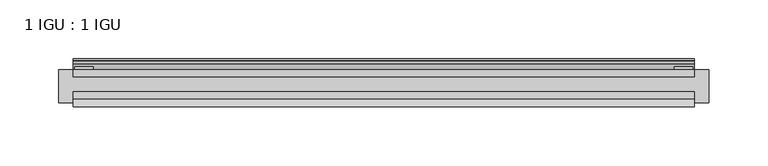
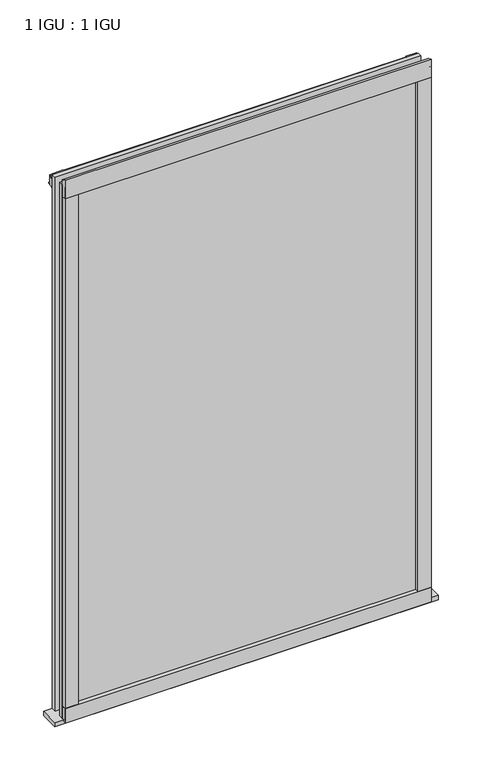
"""IFC4 building model written with IfcOpenShell, lengths in millimetres: plate geometry, 1 IGU : 1 IGU."""

from ifc_helpers import new_model, si_unit, point, frame, frame_2d, origin, place, context, project, spatial, polyline, circle_curve, trimmed, segment, composite_curve, outline, extrude, source, transform, mapped, element, save


def plate_1_igu_1_igu_49e4e4d3(model_context):
    return source(origin(), model_context, "Body", "SweptSolid", [
        extrude(outline(polyline([(265.11885, 0.0021347), (265.11885, -6.2992), (-265.11885, -6.2992), (-265.11885, 0.0021347), (265.11885, 0.0021347)])), frame((0.0, 0.0, -19.05), z_axis=(0.0, 0.0, 1.0), x_axis=(1.0, 0.0, 0.0)), (0.0, 0.0, 1.0), 817.5498001),
        extrude(outline(polyline([(-265.11885, -19.0986653), (265.11885, -19.0986653), (265.11885, -25.3978653), (-265.11885, -25.3978653), (-265.11885, -19.0986653)])), frame((0.0, 0.0, -19.05), z_axis=(0.0, 0.0, 1.0), x_axis=(1.0, 0.0, 0.0)), (0.0, 0.0, 1.0), 817.5498001),
        extrude(outline(composite_curve([segment(trimmed(circle_curve(frame_2d((10.9021792, -22.6833935)), 11.4916952), [point((0.0, -19.05))], [point((-0.2638007, -25.4))], True, "CARTESIAN"), True, "CONTINUOUS"), segment(polyline([(-0.2638007, -25.4), (-27.9952564, -25.4), (-27.9952564, -19.05), (0.0, -19.05)]), True, "CONTINUOUS")], self_intersect=False)), frame((-277.81885, 0.0, 0.0), z_axis=(1.0, 0.0, 0.0), x_axis=(0.0, 1.0, 0.0)), (0.0, 0.0, 1.0), 555.6377),
        extrude(outline(composite_curve([segment(polyline([(-31.75, 0.0), (-25.4, 0.0), (-25.4, -22.225)]), True, "CONTINUOUS"), segment(trimmed(circle_curve(frame_2d((-28.575, -28.9113452)), 7.4018806), [point((-25.4, -22.225))], [point((-31.75, -22.225))], True, "CARTESIAN"), True, "CONTINUOUS"), segment(polyline([(-31.75, -22.225), (-31.75, 0.0)]), True, "CONTINUOUS")], self_intersect=False)), frame((-265.11885, 0.0, 0.0), z_axis=(1.0, 0.0, 0.0), x_axis=(0.0, 1.0, 0.0)), (0.0, 0.0, 1.0), 530.2377),
        extrude(outline(composite_curve([segment(trimmed(circle_curve(frame_2d((-23.3689302, 822.6664901)), 40.3187601), [point((0.0, 789.8108131))], [point((4.9746073, 793.9916528))], True, "CARTESIAN"), True, "CONTINUOUS"), segment(trimmed(circle_curve(frame_2d((5.8674, 793.0884246)), 1.27), [point((4.9746073, 793.9916528))], [point((7.1374, 793.0884246))], False, "CARTESIAN"), True, "CONTINUOUS"), segment(polyline([(7.1374, 793.0884246), (7.1374, 788.6876169), (7.7309478, 786.4724663), (6.35, 786.2379789), (6.35, 781.0500001), (9.3980339, 781.0500001), (9.3980339, 779.6684051)]), True, "CONTINUOUS"), segment(trimmed(circle_curve(frame_2d((13.6593785, 748.6551528)), 31.3046461), [point((9.3980339, 779.6684051))], [point((0.0, 776.8225498))], True, "CARTESIAN"), True, "CONTINUOUS"), segment(polyline([(0.0, 776.8225498), (0.0, 789.8108131)]), True, "CONTINUOUS")], self_intersect=False)), frame((-265.11885, 0.0, 0.0), z_axis=(1.0, 0.0, 0.0), x_axis=(0.0, 1.0, 0.0)), (0.0, 0.0, 1.0), 530.2377),
        extrude(outline(composite_curve([segment(polyline([(-25.4, 806.4500001), (-25.4, 781.0500001), (-31.75, 781.0500001), (-31.75, 809.2228974)]), True, "CONTINUOUS"), segment(trimmed(circle_curve(frame_2d((-24.1401272, 817.9924116)), 11.6109665), [point((-31.75, 809.2228974))], [point((-25.4, 806.4500001))], True, "CARTESIAN"), True, "CONTINUOUS")], self_intersect=False)), frame((-265.11885, 0.0, 0.0), z_axis=(1.0, 0.0, 0.0), x_axis=(0.0, 1.0, 0.0)), (0.0, 0.0, 1.0), 530.2377),
        extrude(outline(composite_curve([segment(polyline([(246.06885, -25.4), (265.11885, -25.4)]), True, "CONTINUOUS"), segment(trimmed(circle_curve(frame_2d((274.5850007, -28.575)), 9.9844196), [point((265.11885, -25.4))], [point((265.11885, -31.75))], True, "CARTESIAN"), True, "CONTINUOUS"), segment(polyline([(265.11885, -31.75), (246.06885, -31.75), (246.06885, -25.4)]), True, "CONTINUOUS")], self_intersect=False)), frame((0.0, 0.0, -19.05), z_axis=(0.0, 0.0, 1.0), x_axis=(1.0, 0.0, 0.0)), (0.0, 0.0, 1.0), 817.5498001),
        extrude(outline(polyline([(263.91235, 2.2860088), (263.91235, 0.0021347), (248.03735, 0.0021347), (248.03735, 2.2860088), (263.91235, 2.2860088)])), frame((0.0, 0.0, -19.05), z_axis=(0.0, 0.0, 1.0), x_axis=(1.0, 0.0, 0.0)), (0.0, 0.0, 1.0), 817.5498001),
        extrude(outline(composite_curve([segment(trimmed(circle_curve(frame_2d((-274.5850007, -28.575)), 9.9844196), [point((-265.11885, -31.75))], [point((-265.11885, -25.4))], True, "CARTESIAN"), True, "CONTINUOUS"), segment(polyline([(-265.11885, -25.4), (-246.06885, -25.4), (-246.06885, -31.75), (-265.11885, -31.75)]), True, "CONTINUOUS")], self_intersect=False)), frame((0.0, 0.0, -19.05), z_axis=(0.0, 0.0, 1.0), x_axis=(1.0, 0.0, 0.0)), (0.0, 0.0, 1.0), 817.5498001),
        extrude(outline(polyline([(-263.91235, 0.0), (-263.91235, 2.286), (-248.03735, 2.286), (-248.03735, 0.0), (-263.91235, 0.0)])), frame((0.0, 0.0, -19.05), z_axis=(0.0, 0.0, 1.0), x_axis=(1.0, 0.0, 0.0)), (0.0, 0.0, 1.0), 817.5498001),
    ])


if __name__ == "__main__":
    model = new_model("IFC4")
    model_context = context("Model", 3, world=origin())
    ifc_project = project(units=[si_unit("LENGTHUNIT", "METRE", prefix="MILLI")], contexts=[model_context])
    site = spatial("IfcSite", under=ifc_project)
    building = spatial("IfcBuilding", under=site)
    placement = place(None, origin())
    plate_1_igu_1_igu_shape = plate_1_igu_1_igu_49e4e4d3(model_context)
    element("IfcPlate", 1, ObjectType="1 IGU : 1 IGU", at=placement, inside=building, context=model_context, shape_type="MappedRepresentation", body=[
        mapped(plate_1_igu_1_igu_shape, transform((0.0, 0.0, 0.0), x_axis=(1.0, 0.0, 0.0), y_axis=(0.0, 1.0, 0.0), z_axis=(0.0, 0.0, 1.0))),
    ])
    save(model, "model.ifc")
